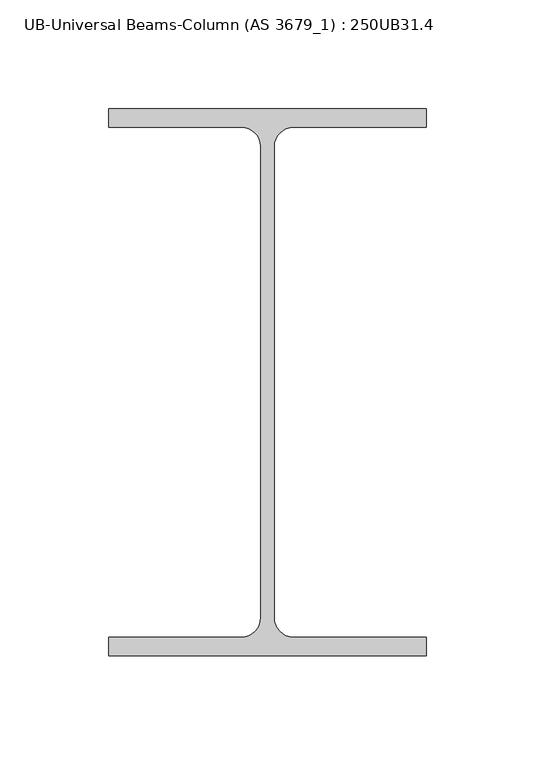
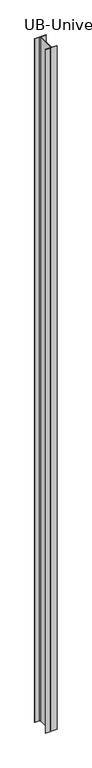
"""IFC4 building model written with IfcOpenShell, lengths in millimetres: column geometry, UB-Universal Beams-Column (AS 3679_1) : 250UB31.4."""

from ifc_helpers import new_model, si_unit, point, frame, frame_2d, origin, place, context, project, spatial, polyline, circle_curve, trimmed, segment, composite_curve, outline, extrude, source, transform, mapped, element, save


def ub_universal_beams_column_as_3679_1_250ub31_4_f2e3e7bf(model_context):
    return source(origin(), model_context, "Body", "SweptSolid", [
        extrude(outline(composite_curve([segment(polyline([(73.0, 125.8), (73.0, 117.2), (11.95, 117.2)]), True, "CONTINUOUS"), segment(trimmed(circle_curve(frame_2d((11.95, 108.3)), 8.9), [point((11.95, 117.2))], [point((3.05, 108.3))], True, "CARTESIAN"), True, "CONTINUOUS"), segment(polyline([(3.05, 108.3), (3.05, -108.3)]), True, "CONTINUOUS"), segment(trimmed(circle_curve(frame_2d((11.95, -108.3)), 8.9), [point((3.05, -108.3))], [point((11.95, -117.2))], True, "CARTESIAN"), True, "CONTINUOUS"), segment(polyline([(11.95, -117.2), (73.0, -117.2), (73.0, -125.8), (-73.0, -125.8), (-73.0, -117.2), (-11.95, -117.2)]), True, "CONTINUOUS"), segment(trimmed(circle_curve(frame_2d((-11.95, -108.3)), 8.9), [point((-11.95, -117.2))], [point((-3.05, -108.3))], True, "CARTESIAN"), True, "CONTINUOUS"), segment(polyline([(-3.05, -108.3), (-3.05, 108.3)]), True, "CONTINUOUS"), segment(trimmed(circle_curve(frame_2d((-11.95, 108.3)), 8.9), [point((-3.05, 108.3))], [point((-11.95, 117.2))], True, "CARTESIAN"), True, "CONTINUOUS"), segment(polyline([(-11.95, 117.2), (-73.0, 117.2), (-73.0, 125.8), (73.0, 125.8)]), True, "CONTINUOUS")], self_intersect=False)), frame((0.0, 0.0, -180.0), z_axis=(0.0, 0.0, 1.0), x_axis=(1.0, 0.0, 0.0)), (0.0, 0.0, 1.0), 9480.0),
    ])


if __name__ == "__main__":
    model = new_model("IFC4")
    model_context = context("Model", 3, world=origin())
    ifc_project = project(units=[si_unit("LENGTHUNIT", "METRE", prefix="MILLI")], contexts=[model_context])
    site = spatial("IfcSite", under=ifc_project)
    building = spatial("IfcBuilding", under=site)
    placement = place(None, origin())
    ub_universal_beams_column_as_3679_1_250ub31_4_shape = ub_universal_beams_column_as_3679_1_250ub31_4_f2e3e7bf(model_context)
    element("IfcColumn", 1, ObjectType="UB-Universal Beams-Column (AS 3679_1) : 250UB31.4", at=placement, inside=building, context=model_context, shape_type="MappedRepresentation", body=[
        mapped(ub_universal_beams_column_as_3679_1_250ub31_4_shape, transform((0.0, 0.0, 0.0), x_axis=(1.0, 0.0, 0.0), y_axis=(0.0, 1.0, 0.0), z_axis=(0.0, 0.0, 1.0))),
    ])
    save(model, "model.ifc")
